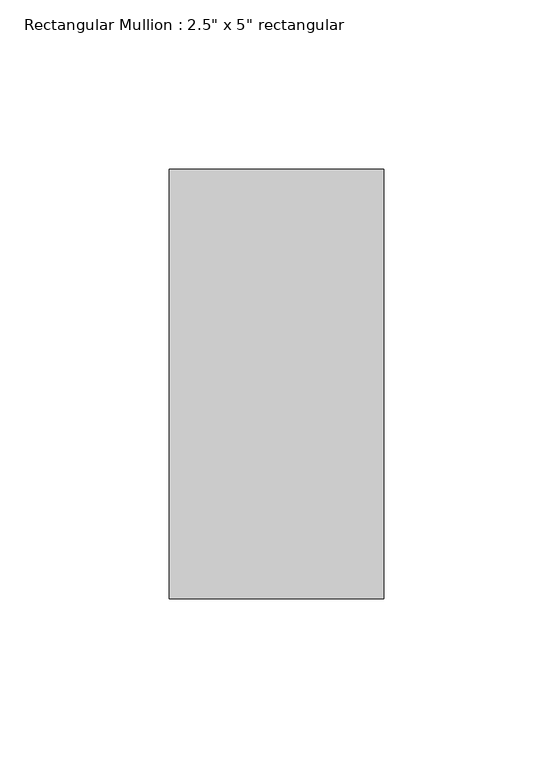
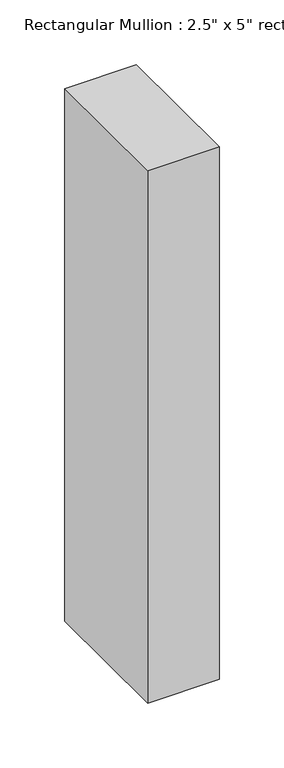
"""IFC4 building model written with IfcOpenShell, lengths in millimetres: member geometry."""

from ifc_helpers import new_model, si_unit, frame, origin, place, context, project, spatial, polyline, outline, extrude, source, transform, mapped, element, save


def member_72df8a2c(model_context):
    return source(origin(), model_context, "Body", "SweptSolid", [
        extrude(outline(polyline([(0.0, 63.5), (0.0, -63.5), (-63.5, -63.5), (-63.5, 63.5), (0.0, 63.5)])), frame((0.0, 0.0, -500.0), z_axis=(0.0, 0.0, 1.0), x_axis=(1.0, 0.0, 0.0)), (0.0, 0.0, 1.0), 500.0),
    ])


if __name__ == "__main__":
    model = new_model("IFC4")
    model_context = context("Model", 3, world=origin())
    ifc_project = project(units=[si_unit("LENGTHUNIT", "METRE", prefix="MILLI")], contexts=[model_context])
    site = spatial("IfcSite", under=ifc_project)
    building = spatial("IfcBuilding", under=site)
    placement = place(None, origin())
    member_shape = member_72df8a2c(model_context)
    element("IfcMember", 1, ObjectType="Rectangular Mullion : 2.5\" x 5\" rectangular", at=placement, inside=building, context=model_context, shape_type="MappedRepresentation", body=[
        mapped(member_shape, transform((0.0, 0.0, 0.0), x_axis=(1.0, 0.0, 0.0), y_axis=(0.0, 1.0, 0.0), z_axis=(0.0, 0.0, 1.0))),
    ])
    save(model, "model.ifc")
